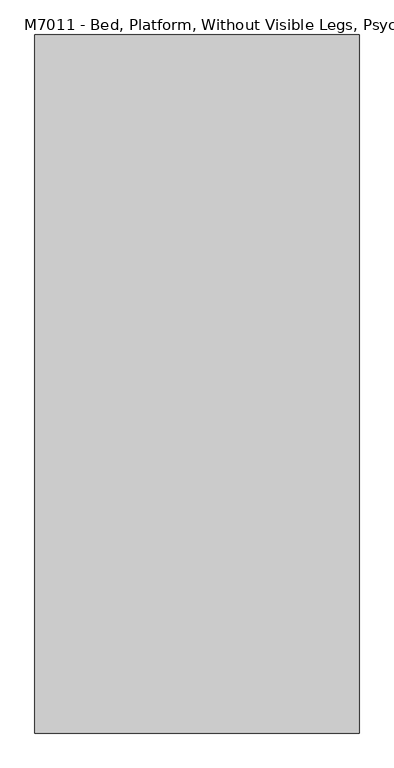
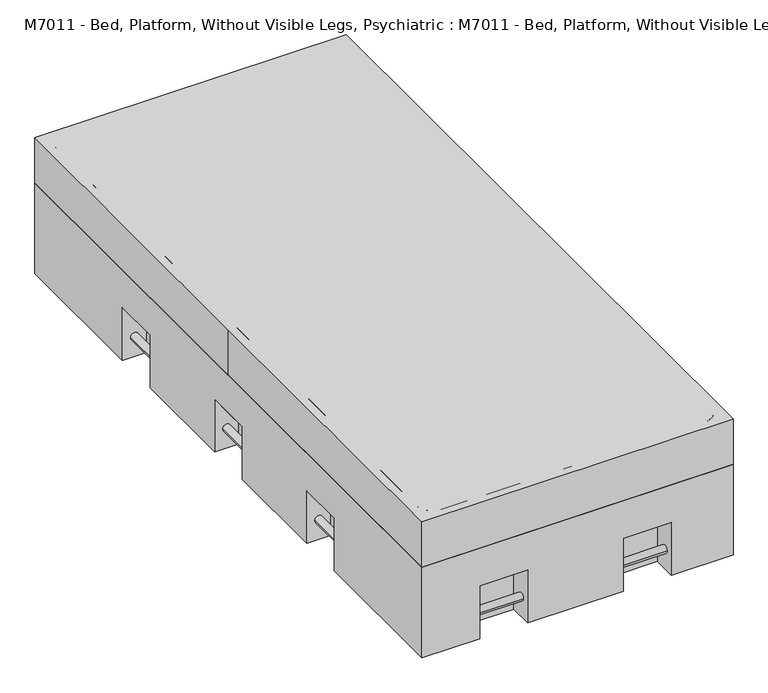
"""IFC4 building model written with IfcOpenShell, lengths in millimetres: proxy geometry, M7011 - Bed, Platform, Without Visible Legs, Psychiatric : M7011 - Bed, Platform, Without Visible Legs, Psychiatric."""

from ifc_helpers import new_model, si_unit, point, frame, frame_2d, origin, place, context, project, spatial, polyline, circle_curve, trimmed, segment, composite_curve, outline, extrude, faceted_brep, source, transform, mapped, element, save


def m7011_bed_platform_without_visible_legs_psychiatric_m7011_66183f1b(model_context):
    return source(origin(), model_context, "Body", "SolidModel", [
        extrude(outline(composite_curve([segment(trimmed(circle_curve(frame_2d((68.0585065, -457.2)), 12.7), [point((68.0585065, -444.5))], [point((68.0585065, -469.9))], False, "CARTESIAN"), True, "CONTINUOUS"), segment(trimmed(circle_curve(frame_2d((68.0585065, -457.2)), 12.7), [point((68.0585065, -469.9))], [point((68.0585065, -444.5))], False, "CARTESIAN"), True, "CONTINUOUS")], self_intersect=False)), frame((0.0, -584.2, 0.0), z_axis=(0.0, 1.0, 0.0), x_axis=(0.0, 0.0, 1.0)), (0.0, 0.0, 1.0), 152.4),
        extrude(outline(composite_curve([segment(trimmed(circle_curve(frame_2d((68.0585065, -457.2)), 12.7), [point((68.0585065, -444.5))], [point((68.0585065, -469.9))], False, "CARTESIAN"), True, "CONTINUOUS"), segment(trimmed(circle_curve(frame_2d((68.0585065, -457.2)), 12.7), [point((68.0585065, -469.9))], [point((68.0585065, -444.5))], False, "CARTESIAN"), True, "CONTINUOUS")], self_intersect=False)), frame((0.0, 431.8, 0.0), z_axis=(0.0, 1.0, 0.0), x_axis=(0.0, 0.0, 1.0)), (0.0, 0.0, 1.0), 152.4),
        extrude(outline(composite_curve([segment(trimmed(circle_curve(frame_2d((68.0585065, -457.2)), 12.7), [point((68.0585065, -444.5))], [point((68.0585065, -469.9))], False, "CARTESIAN"), True, "CONTINUOUS"), segment(trimmed(circle_curve(frame_2d((68.0585065, -457.2)), 12.7), [point((68.0585065, -469.9))], [point((68.0585065, -444.5))], False, "CARTESIAN"), True, "CONTINUOUS")], self_intersect=False)), frame((0.0, -76.2, 0.0), z_axis=(0.0, 1.0, 0.0), x_axis=(0.0, 0.0, 1.0)), (0.0, 0.0, 1.0), 152.4),
        extrude(outline(composite_curve([segment(trimmed(circle_curve(frame_2d((68.0585065, 457.2)), 12.7), [point((68.0585065, 444.5))], [point((68.0585065, 469.9))], False, "CARTESIAN"), True, "CONTINUOUS"), segment(trimmed(circle_curve(frame_2d((68.0585065, 457.2)), 12.7), [point((68.0585065, 469.9))], [point((68.0585065, 444.5))], False, "CARTESIAN"), True, "CONTINUOUS")], self_intersect=False)), frame((0.0, -584.2, 0.0), z_axis=(0.0, 1.0, 0.0), x_axis=(0.0, 0.0, 1.0)), (0.0, 0.0, 1.0), 152.4),
        extrude(outline(composite_curve([segment(trimmed(circle_curve(frame_2d((68.0585065, 457.2)), 12.7), [point((68.0585065, 444.5))], [point((68.0585065, 469.9))], False, "CARTESIAN"), True, "CONTINUOUS"), segment(trimmed(circle_curve(frame_2d((68.0585065, 457.2)), 12.7), [point((68.0585065, 469.9))], [point((68.0585065, 444.5))], False, "CARTESIAN"), True, "CONTINUOUS")], self_intersect=False)), frame((0.0, 431.8, 0.0), z_axis=(0.0, 1.0, 0.0), x_axis=(0.0, 0.0, 1.0)), (0.0, 0.0, 1.0), 152.4),
        extrude(outline(composite_curve([segment(trimmed(circle_curve(frame_2d((68.0585065, 457.2)), 12.7), [point((68.0585065, 444.5))], [point((68.0585065, 469.9))], False, "CARTESIAN"), True, "CONTINUOUS"), segment(trimmed(circle_curve(frame_2d((68.0585065, 457.2)), 12.7), [point((68.0585065, 469.9))], [point((68.0585065, 444.5))], False, "CARTESIAN"), True, "CONTINUOUS")], self_intersect=False)), frame((0.0, -76.2, 0.0), z_axis=(0.0, 1.0, 0.0), x_axis=(0.0, 0.0, 1.0)), (0.0, 0.0, 1.0), 152.4),
        extrude(outline(composite_curve([segment(trimmed(circle_curve(frame_2d((1032.01787, 68.0585065)), 12.7), [point((1044.71787, 68.0585065))], [point((1019.31787, 68.0585065))], False, "CARTESIAN"), True, "CONTINUOUS"), segment(trimmed(circle_curve(frame_2d((1032.01787, 68.0585065)), 12.7), [point((1019.31787, 68.0585065))], [point((1044.71787, 68.0585065))], False, "CARTESIAN"), True, "CONTINUOUS")], self_intersect=False)), frame((-311.15, 0.0, 0.0), z_axis=(1.0, 0.0, 0.0), x_axis=(0.0, 1.0, 0.0)), (0.0, 0.0, 1.0), 152.4),
        extrude(outline(composite_curve([segment(trimmed(circle_curve(frame_2d((1032.01787, 68.0585065)), 12.7), [point((1044.71787, 68.0585065))], [point((1019.31787, 68.0585065))], False, "CARTESIAN"), True, "CONTINUOUS"), segment(trimmed(circle_curve(frame_2d((1032.01787, 68.0585065)), 12.7), [point((1019.31787, 68.0585065))], [point((1044.71787, 68.0585065))], False, "CARTESIAN"), True, "CONTINUOUS")], self_intersect=False)), frame((146.05, 0.0, 0.0), z_axis=(1.0, 0.0, 0.0), x_axis=(0.0, 1.0, 0.0)), (0.0, 0.0, 1.0), 152.4),
        extrude(outline(composite_curve([segment(trimmed(circle_curve(frame_2d((-1032.01787, 68.0585065)), 12.7), [point((-1044.71787, 68.0585065))], [point((-1019.31787, 68.0585065))], False, "CARTESIAN"), True, "CONTINUOUS"), segment(trimmed(circle_curve(frame_2d((-1032.01787, 68.0585065)), 12.7), [point((-1019.31787, 68.0585065))], [point((-1044.71787, 68.0585065))], False, "CARTESIAN"), True, "CONTINUOUS")], self_intersect=False)), frame((-311.15, 0.0, 0.0), z_axis=(1.0, 0.0, 0.0), x_axis=(0.0, 1.0, 0.0)), (0.0, 0.0, 1.0), 152.4),
        extrude(outline(composite_curve([segment(trimmed(circle_curve(frame_2d((-1032.01787, 68.0585065)), 12.7), [point((-1044.71787, 68.0585065))], [point((-1019.31787, 68.0585065))], False, "CARTESIAN"), True, "CONTINUOUS"), segment(trimmed(circle_curve(frame_2d((-1032.01787, 68.0585065)), 12.7), [point((-1019.31787, 68.0585065))], [point((-1044.71787, 68.0585065))], False, "CARTESIAN"), True, "CONTINUOUS")], self_intersect=False)), frame((146.05, 0.0, 0.0), z_axis=(1.0, 0.0, 0.0), x_axis=(0.0, 1.0, 0.0)), (0.0, 0.0, 1.0), 152.4),
        faceted_brep([(298.45, 1066.8, 177.8), (298.45, 1066.8, 0.0), (298.45, 990.6, 0.0), (298.45, 990.6, 177.8), (146.05, 990.6, 0.0), (146.05, 1066.8, 0.0), (146.05, 1066.8, 177.8), (146.05, 990.6, 177.8), (-158.75, 1066.8, 177.8), (-158.75, 1066.8, 0.0), (-158.75, 990.6, 0.0), (-158.75, 990.6, 177.8), (-311.15, 990.6, 0.0), (-311.15, 1066.8, 0.0), (-311.15, 1066.8, 177.8), (-311.15, 990.6, 177.8), (298.45, -990.6, 0.0), (298.45, -1066.8, 0.0), (298.45, -1066.8, 177.8), (298.45, -990.6, 177.8), (146.05, -1066.8, 177.8), (146.05, -1066.8, 0.0), (146.05, -990.6, 0.0), (146.05, -990.6, 177.8), (-158.75, -990.6, 0.0), (-158.75, -1066.8, 0.0), (-158.75, -1066.8, 177.8), (-158.75, -990.6, 177.8), (-311.15, -1066.8, 177.8), (-311.15, -1066.8, 0.0), (-311.15, -990.6, 0.0), (-311.15, -990.6, 177.8), (495.3, -76.2, 177.8), (495.3, -76.2, 0.0), (419.1, -76.2, 0.0), (419.1, -76.2, 177.8), (419.1, 76.2, 0.0), (495.3, 76.2, 0.0), (495.3, 76.2, 177.8), (419.1, 76.2, 177.8), (495.3, 431.8, 177.8), (495.3, 431.8, 0.0), (419.1, 431.8, 0.0), (419.1, 431.8, 177.8), (419.1, 584.2, 0.0), (495.3, 584.2, 0.0), (495.3, 584.2, 177.8), (419.1, 584.2, 177.8), (419.1, -431.8, 0.0), (495.3, -431.8, 0.0), (495.3, -431.8, 177.8), (419.1, -431.8, 177.8), (495.3, -584.2, 177.8), (495.3, -584.2, 0.0), (419.1, -584.2, 0.0), (419.1, -584.2, 177.8), (-419.1, -76.2, 0.0), (-495.3, -76.2, 0.0), (-495.3, -76.2, 177.8), (-419.1, -76.2, 177.8), (-495.3, 76.2, 177.8), (-495.3, 76.2, 0.0), (-419.1, 76.2, 0.0), (-419.1, 76.2, 177.8), (-419.1, 431.8, 0.0), (-495.3, 431.8, 0.0), (-495.3, 431.8, 177.8), (-419.1, 431.8, 177.8), (-495.3, 584.2, 177.8), (-495.3, 584.2, 0.0), (-419.1, 584.2, 0.0), (-419.1, 584.2, 177.8), (-495.3, -431.8, 177.8), (-495.3, -431.8, 0.0), (-419.1, -431.8, 0.0), (-419.1, -431.8, 177.8), (-419.1, -584.2, 0.0), (-495.3, -584.2, 0.0), (-495.3, -584.2, 177.8), (-419.1, -584.2, 177.8), (495.3, -1066.8, 304.8), (495.3, 1066.8, 304.8), (-495.3, 1066.8, 304.8), (-495.3, -1066.8, 304.8), (495.3, 1066.8, 0.0), (495.3, -1066.8, 0.0), (-495.3, -1066.8, 0.0), (-495.3, 1066.8, 0.0)], [[[0, 1, 2, 3]], [[4, 5, 6, 7]], [[2, 4, 7, 3]], [[3, 7, 6, 0]], [[8, 9, 10, 11]], [[12, 13, 14, 15]], [[10, 12, 15, 11]], [[11, 15, 14, 8]], [[16, 17, 18, 19]], [[20, 21, 22, 23]], [[18, 20, 23, 19]], [[19, 23, 22, 16]], [[24, 25, 26, 27]], [[28, 29, 30, 31]], [[26, 28, 31, 27]], [[27, 31, 30, 24]], [[32, 33, 34, 35]], [[36, 37, 38, 39]], [[34, 36, 39, 35]], [[35, 39, 38, 32]], [[40, 41, 42, 43]], [[44, 45, 46, 47]], [[42, 44, 47, 43]], [[43, 47, 46, 40]], [[48, 49, 50, 51]], [[52, 53, 54, 55]], [[51, 55, 54, 48]], [[50, 52, 55, 51]], [[56, 57, 58, 59]], [[60, 61, 62, 63]], [[59, 63, 62, 56]], [[58, 60, 63, 59]], [[64, 65, 66, 67]], [[68, 69, 70, 71]], [[67, 71, 70, 64]], [[66, 68, 71, 67]], [[72, 73, 74, 75]], [[76, 77, 78, 79]], [[74, 76, 79, 75]], [[75, 79, 78, 72]], [[80, 81, 82, 83]], [[84, 45, 44, 42, 41, 37, 36, 34, 33, 49, 48, 54, 53, 85, 17, 16, 22, 21, 25, 24, 30, 29, 86, 77, 76, 74, 73, 57, 56, 62, 61, 65, 64, 70, 69, 87, 13, 12, 10, 9, 5, 4, 2, 1]], [[83, 86, 29, 28, 26, 25, 21, 20, 18, 17, 85, 80]], [[82, 87, 69, 68, 66, 65, 61, 60, 58, 57, 73, 72, 78, 77, 86, 83]], [[81, 84, 1, 0, 6, 5, 9, 8, 14, 13, 87, 82]], [[80, 85, 53, 52, 50, 49, 33, 32, 38, 37, 41, 40, 46, 45, 84, 81]]]),
        faceted_brep([(-495.3, -1066.8, 457.2), (495.3, -1066.8, 457.2), (495.3, 1066.8, 457.2), (-495.3, 1066.8, 457.2), (-495.3, 0.0, 457.2), (495.3, 1066.8, 0.0), (495.3, 584.2, 0.0), (419.1, 584.2, 0.0), (419.1, 431.8, 0.0), (495.3, 431.8, 0.0), (495.3, 76.2, 0.0), (419.1, 76.2, 0.0), (419.1, -76.2, 0.0), (495.3, -76.2, 0.0), (495.3, -431.8, 0.0), (419.1, -431.8, 0.0), (419.1, -584.2, 0.0), (495.3, -584.2, 0.0), (495.3, -1066.8, 0.0), (298.45, -1066.8, 0.0), (298.45, -990.6, 0.0), (146.05, -990.6, 0.0), (146.05, -1066.8, 0.0), (-158.75, -1066.8, 0.0), (-158.75, -990.6, 0.0), (-311.15, -990.6, 0.0), (-311.15, -1066.8, 0.0), (-495.3, -1066.8, 0.0), (-495.3, -584.2, 0.0), (-419.1, -584.2, 0.0), (-419.1, -431.8, 0.0), (-495.3, -431.8, 0.0), (-495.3, -76.2, 0.0), (-419.1, -76.2, 0.0), (-419.1, 76.2, 0.0), (-495.3, 76.2, 0.0), (-495.3, 431.8, 0.0), (-419.1, 431.8, 0.0), (-419.1, 584.2, 0.0), (-495.3, 584.2, 0.0), (-495.3, 1066.8, 0.0), (-311.15, 1066.8, 0.0), (-311.15, 990.6, 0.0), (-158.75, 990.6, 0.0), (-158.75, 1066.8, 0.0), (146.05, 1066.8, 0.0), (146.05, 990.6, 0.0), (298.45, 990.6, 0.0), (298.45, 1066.8, 0.0), (-495.3, 0.0, 177.8), (-495.3, -76.2, 177.8), (-495.3, -431.8, 177.8), (-495.3, -584.2, 177.8), (-495.3, 584.2, 177.8), (-495.3, 431.8, 177.8), (-495.3, 76.2, 177.8), (298.45, 1066.8, 177.8), (146.05, 1066.8, 177.8), (-158.75, 1066.8, 177.8), (-311.15, 1066.8, 177.8), (495.3, -584.2, 177.8), (495.3, -431.8, 177.8), (495.3, -76.2, 177.8), (495.3, 76.2, 177.8), (495.3, 431.8, 177.8), (495.3, 584.2, 177.8), (-311.15, -1066.8, 177.8), (-158.75, -1066.8, 177.8), (146.05, -1066.8, 177.8), (298.45, -1066.8, 177.8), (298.45, 990.6, 177.8), (146.05, 990.6, 177.8), (-158.75, 990.6, 177.8), (-311.15, 990.6, 177.8), (298.45, -990.6, 177.8), (146.05, -990.6, 177.8), (-158.75, -990.6, 177.8), (-311.15, -990.6, 177.8), (419.1, -76.2, 177.8), (419.1, 76.2, 177.8), (419.1, 431.8, 177.8), (419.1, 584.2, 177.8), (419.1, -431.8, 177.8), (419.1, -584.2, 177.8), (-419.1, -76.2, 177.8), (-419.1, 76.2, 177.8), (-419.1, 431.8, 177.8), (-419.1, 584.2, 177.8), (-419.1, -431.8, 177.8), (-419.1, -584.2, 177.8)], [[[0, 1, 2, 3, 4]], [[5, 6, 7, 8, 9, 10, 11, 12, 13, 14, 15, 16, 17, 18, 19, 20, 21, 22, 23, 24, 25, 26, 27, 28, 29, 30, 31, 32, 33, 34, 35, 36, 37, 38, 39, 40, 41, 42, 43, 44, 45, 46, 47, 48]], [[4, 49, 50, 32, 31, 51, 52, 28, 27, 0]], [[3, 40, 39, 53, 54, 36, 35, 55, 49, 4]], [[2, 5, 48, 56, 57, 45, 44, 58, 59, 41, 40, 3]], [[1, 18, 17, 60, 61, 14, 13, 62, 63, 10, 9, 64, 65, 6, 5, 2]], [[0, 27, 26, 66, 67, 23, 22, 68, 69, 19, 18, 1]], [[56, 48, 47, 70]], [[46, 45, 57, 71]], [[47, 46, 71, 70]], [[70, 71, 57, 56]], [[58, 44, 43, 72]], [[42, 41, 59, 73]], [[43, 42, 73, 72]], [[72, 73, 59, 58]], [[20, 19, 69, 74]], [[68, 22, 21, 75]], [[69, 68, 75, 74]], [[74, 75, 21, 20]], [[24, 23, 67, 76]], [[66, 26, 25, 77]], [[67, 66, 77, 76]], [[76, 77, 25, 24]], [[62, 13, 12, 78]], [[11, 10, 63, 79]], [[12, 11, 79, 78]], [[78, 79, 63, 62]], [[64, 9, 8, 80]], [[7, 6, 65, 81]], [[8, 7, 81, 80]], [[80, 81, 65, 64]], [[15, 14, 61, 82]], [[60, 17, 16, 83]], [[82, 83, 16, 15]], [[61, 60, 83, 82]], [[33, 32, 50, 84]], [[55, 35, 34, 85]], [[84, 85, 34, 33]], [[50, 49, 55, 85, 84]], [[37, 36, 54, 86]], [[53, 39, 38, 87]], [[86, 87, 38, 37]], [[54, 53, 87, 86]], [[51, 31, 30, 88]], [[29, 28, 52, 89]], [[30, 29, 89, 88]], [[88, 89, 52, 51]]]),
        extrude(outline(composite_curve([segment(polyline([(419.1, -1041.4), (-419.1, -1041.4)]), True, "CONTINUOUS"), segment(trimmed(circle_curve(frame_2d((-419.1, -990.6)), 50.8), [point((-419.1, -1041.4))], [point((-469.9, -990.6))], False, "CARTESIAN"), True, "CONTINUOUS"), segment(polyline([(-469.9, -990.6), (-469.9, 990.6)]), True, "CONTINUOUS"), segment(trimmed(circle_curve(frame_2d((-419.1, 990.6)), 50.8), [point((-469.9, 990.6))], [point((-419.1, 1041.4))], False, "CARTESIAN"), True, "CONTINUOUS"), segment(polyline([(-419.1, 1041.4), (419.1, 1041.4)]), True, "CONTINUOUS"), segment(trimmed(circle_curve(frame_2d((419.1, 990.6)), 50.8), [point((419.1, 1041.4))], [point((469.9, 990.6))], False, "CARTESIAN"), True, "CONTINUOUS"), segment(polyline([(469.9, 990.6), (469.9, -990.6)]), True, "CONTINUOUS"), segment(trimmed(circle_curve(frame_2d((419.1, -990.6)), 50.8), [point((469.9, -990.6))], [point((419.1, -1041.4))], False, "CARTESIAN"), True, "CONTINUOUS")], self_intersect=False)), frame((0.0, 0.0, 304.8), z_axis=(0.0, 0.0, 1.0), x_axis=(1.0, 0.0, 0.0)), (0.0, 0.0, 1.0), 152.4),
    ])


if __name__ == "__main__":
    model = new_model("IFC4")
    model_context = context("Model", 3, world=origin())
    ifc_project = project(units=[si_unit("LENGTHUNIT", "METRE", prefix="MILLI")], contexts=[model_context])
    site = spatial("IfcSite", under=ifc_project)
    building = spatial("IfcBuilding", under=site)
    placement = place(None, origin())
    m7011_bed_platform_without_visible_legs_psychiatric_m7011_shape = m7011_bed_platform_without_visible_legs_psychiatric_m7011_66183f1b(model_context)
    element("IfcBuildingElementProxy", 1, Name="M7011 - Bed, Platform, Without Visible Legs, Psychiatric : M7011 - Bed, Platform, Without Visible Legs, Psychiatric", ObjectType="M7011 - Bed, Platform, Without Visible Legs, Psychiatric : M7011 - Bed, Platform, Without Visible Legs, Psychiatric", at=placement, inside=building, context=model_context, shape_type="MappedRepresentation", body=[
        mapped(m7011_bed_platform_without_visible_legs_psychiatric_m7011_shape, transform((0.0, 0.0, 0.0), x_axis=(1.0, 0.0, 0.0), y_axis=(0.0, 1.0, 0.0), z_axis=(0.0, 0.0, 1.0))),
    ])
    save(model, "model.ifc")
